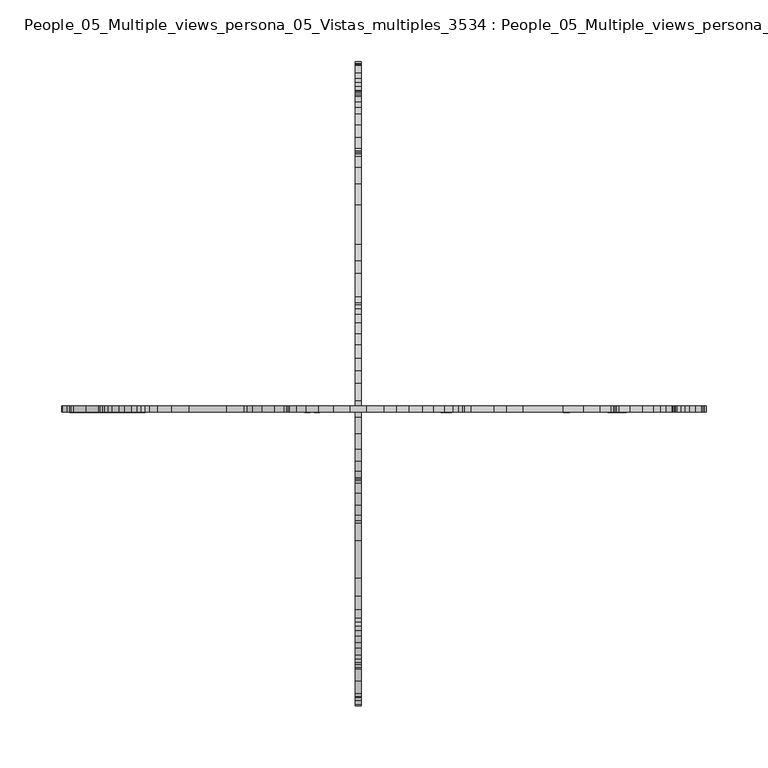
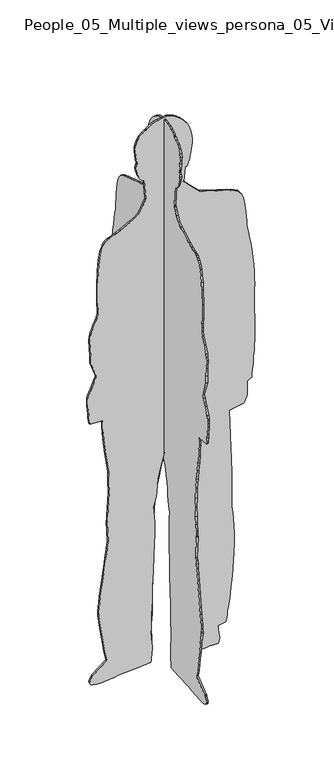
"""IFC4 building model written with IfcOpenShell, lengths in millimetres: proxy geometry, People_05_Multiple_views_persona_05_Vistas_multiples_3534 : People_05_Multiple_views_persona_05_Vistas_multiples_3534."""

from ifc_helpers import new_model, si_unit, frame, origin, place, context, project, spatial, polyline, outline, extrude, source, transform, mapped, element, save


def people_05_multiple_views_persona_05_vistas_multiples_3534_08ac399a(model_context):
    return source(origin(), model_context, "Body", "SweptSolid", [
        extrude(outline(polyline([(1488.5334336, -107.0451289), (1472.9226856, -137.1515713), (1466.2323651, -151.6472659), (1461.7721514, -162.7978001), (1458.4269911, -169.4881207), (1457.3119377, -172.833281), (1457.3119377, -176.1784412), (1455.0818308, -179.5236015), (1451.7366705, -183.9838152), (1445.04635, -189.5590823), (1435.0108691, -194.019296), (1421.630228, -199.5945632), (1402.6743198, -202.9397235), (1381.4883047, -206.2848837), (1358.0721828, -207.3999372), (1309.0098321, -209.630044), (1265.5227485, -209.630044), (1247.6818936, -208.5149906), (1234.3012525, -207.3999372), (1222.0356649, -207.3999372), (1208.6550237, -210.7450974), (1184.1238484, -220.7805783), (1160.7077264, -230.8160591), (1150.6722456, -233.0461659), (1141.7518182, -234.1612194), (1112.7604291, -231.9311125), (1088.2292538, -230.8160591), (1064.8131319, -230.8160591), (1016.8658346, -212.9752043), (1014.6357277, -214.0902577), (1006.8303537, -217.435418), (996.7948729, -221.8956317), (984.5292852, -226.3558454), (961.1131633, -236.3913262), (952.1927359, -239.7364865), (947.7325222, -240.8515399), (937.6970413, -240.8515399), (925.4314537, -239.7364865), (898.6701714, -237.5063796), (886.4045838, -236.3913262), (875.2540495, -235.2762728), (868.5637289, -234.1612194), (866.3336221, -234.1612194), (862.9884618, -195.1343495), (859.6433015, -195.1343495), (851.8379276, -194.019296), (838.4572865, -194.019296), (820.6164316, -191.7891892), (799.4304166, -190.6741358), (773.7841878, -187.3289755), (747.0229056, -183.9838152), (716.9164631, -179.5236015), (684.5799137, -175.0633878), (651.128311, -173.9483344), (619.906815, -172.833281), (589.8003726, -173.9483344), (564.1541438, -176.1784412), (542.9681287, -177.2934947), (535.1627547, -178.4085481), (529.5874876, -178.4085481), (526.2423273, -179.5236015), (525.1272739, -179.5236015), (455.9939615, -176.1784412), (453.7638546, -176.1784412), (447.0735341, -177.2934947), (435.9229998, -179.5236015), (421.4273053, -180.6386549), (404.7015039, -183.9838152), (385.7455957, -186.2139221), (344.4886189, -191.7891892), (302.1165888, -197.3644563), (282.0456271, -200.7096166), (264.2047723, -202.9397235), (248.5940243, -204.0547769), (236.3284367, -205.1698303), (227.4080092, -206.2848837), (221.8327421, -206.2848837), (187.2660859, -200.7096166), (156.04459, -196.2494029), (129.2833078, -191.7891892), (106.9822393, -188.4440289), (89.1413845, -185.0988686), (76.8757968, -182.8687618), (67.9553694, -180.6386549), (65.7252625, -180.6386549), (31.1586063, -224.1257385), (30.0435529, -225.240792), (26.6983926, -227.4708988), (17.7779652, -231.9311125), (13.3177515, -234.1612194), (7.7424844, -233.0461659), (4.3973241, -230.8160591), (1.0521639, -224.1257385), (-1.177943, -214.0902577), (-1.177943, -200.7096166), (1.0521639, -170.6031741), (2.1672173, -156.1074796), (4.3973241, -144.9569453), (5.5123776, -137.1515713), (5.5123776, -133.8064111), (7.8719187, -83.4269047), (12.1112767, -43.4302671), (20.4181484, -41.8145035), (44.5392475, -40.1419233), (52.3446214, -39.0268699), (62.3801023, -39.0268699), (90.2564379, -41.2569767), (100.2919187, -42.3720302), (103.637079, -43.4870836), (104.7521324, -43.4870836), (113.6725598, -43.4870836), (122.5929872, -42.3720302), (135.9736283, -42.3720302), (152.6994297, -41.2569767), (170.5402845, -41.2569767), (214.0273681, -39.0268699), (261.9746654, -37.9118165), (311.0370162, -35.6817096), (358.9843135, -34.5666562), (401.3563436, -32.3365493), (427.0025724, -31.2214959), (471.6047094, -31.2214959), (489.4455643, -32.3365493), (503.9412588, -33.4516028), (513.9767396, -34.5666562), (520.6670602, -35.6817096), (522.897167, -35.6817096), (524.0122204, -35.6817096), (527.3573807, -33.4516028), (538.507915, -30.1064425), (553.0036095, -26.7612822), (568.6143575, -24.5311754), (589.8003726, -23.4161219), (610.9863876, -21.1860151), (631.0573493, -16.7258014), (650.0132575, -12.2655877), (665.6240055, -7.805374), (679.0046466, -3.3451603), (686.8100206, -1.1150534), (690.1551809, 0.0), (689.0401274, 0.0), (685.6949672, 2.2301069), (681.2347535, 3.3451603), (674.5444329, 6.6903206), (665.6240055, 10.0354808), (655.5885247, 13.3806411), (629.9422959, 22.3010685), (598.7208, 31.2214959), (564.1541438, 40.1419233), (524.0122204, 49.0623507), (481.6401903, 56.8677247), (437.0380533, 61.3279384), (391.3208628, 64.6730987), (347.8337792, 66.9032055), (307.6918559, 68.018259), (246.3639175, 68.018259), (236.3284367, 66.9032055), (221.8327421, 66.9032055), (198.4166202, 72.4784727), (122.5929872, 68.018259), (64.6102091, 75.8236329), (62.3801023, 75.8236329), (57.9198886, 74.7085795), (43.424194, 72.4784727), (26.6983926, 70.2483658), (20.0080721, 70.2483658), (14.432805, 71.3634192), (3.2822707, 76.9386864), (0.6059749, 89.2896236), (0.6059749, 104.4397106), (0.0, 118.9851345), (0.0, 128.0754781), (2.4222553, 141.407205), (1.2111277, 154.1342688), (1.8171026, 167.4659957), (18.7720678, 171.708836), (35.61882, 169.4881207), (47.8844077, 168.3730673), (55.6897817, 167.2580138), (59.034942, 166.1429604), (64.6102091, 191.7891892), (65.7252625, 191.7891892), (70.1854762, 192.9042426), (76.8757968, 194.019296), (85.7962242, 195.1343495), (96.9467585, 196.2494029), (109.2123461, 198.4795098), (138.2037352, 202.9397235), (172.7703914, 206.2848837), (209.5671544, 210.7450974), (283.1606805, 216.3203646), (317.7273367, 217.435418), (347.8337792, 217.435418), (374.5950614, 216.3203646), (398.0111834, 215.2053111), (415.8520382, 212.9752043), (430.3477327, 211.8601509), (438.1531067, 209.630044), (441.498267, 209.630044), (551.0408894, 209.5578271), (759.2884932, 202.2465041), (765.9788138, 246.4268071), (767.0938672, 246.4268071), (769.3239741, 248.6569139), (776.0142946, 252.0020742), (784.934722, 256.4622879), (793.8551494, 258.6923947), (836.2271796, 258.6923947), (842.9175002, 272.0730358), (846.2626604, 272.0730358), (855.1830878, 273.1880893), (869.6787824, 274.3031427), (887.5196372, 276.5332495), (908.7056523, 277.648303), (932.1217742, 279.8784098), (980.0690715, 282.1085167), (1043.6271168, 282.1085167), (1060.3529181, 280.9934632), (1073.7335593, 280.9934632), (1084.8840935, 279.8784098), (1093.8045209, 279.8784098), (1096.0346278, 279.8784098), (1103.8400017, 280.9934632), (1129.4862305, 280.9934632), (1148.4421388, 282.1085167), (1168.5131004, 280.9934632), (1190.8141689, 279.8784098), (1215.3453443, 278.7633564), (1265.5227485, 273.1880893), (1288.9388704, 268.7278756), (1310.1248855, 265.3827153), (1329.0807937, 262.037555), (1343.5764882, 258.6923947), (1352.4969156, 257.5773413), (1354.7270225, 256.4622879), (1355.8420759, 256.4622879), (1368.1076636, 256.4622879), (1381.4883047, 255.3472345), (1398.2141061, 254.232181), (1432.7807623, 249.7719673), (1448.3915102, 245.3117536), (1461.7721514, 239.7364865), (1472.9226856, 230.8160591), (1478.4979527, 220.7805783), (1481.843113, 211.8601509), (1482.9581664, 209.630044), (1482.9581664, 208.5149906), (1482.9581664, 207.3999372), (1484.0732199, 205.1698303), (1487.4183801, 196.2494029), (1491.8785938, 182.8687618), (1497.453861, 166.1429604), (1507.4893418, 133.8064111), (1511.9495555, 120.42577), (1515.2947158, 110.3902891), (1533.1355706, 91.4343809), (1548.7463185, 75.8236329), (1555.4366391, 69.1333124), (1559.8968528, 64.6730987), (1563.2420131, 61.3279384), (1564.3570665, 60.212885), (1612.3043638, 64.6730987), (1612.3043638, 69.1333124), (1617.8796309, 72.4784727), (1622.3398446, 74.7085795), (1630.1452186, 76.9386864), (1646.87102, 80.2838466), (1664.7118748, 83.6290069), (1683.667783, 85.8591138), (1695.9333707, 85.8591138), (1709.3140118, 84.7440603), (1724.9247598, 81.3989001), (1739.4204543, 76.9386864), (1752.8010954, 70.2483658), (1765.0666831, 61.3279384), (1775.1021639, 52.407511), (1784.0225913, 41.2569767), (1790.7129119, 31.2214959), (1795.1731256, 21.1860151), (1798.5182859, 6.6903206), (1797.4032325, -6.6903206), (1795.1731256, -20.0709617), (1792.9430187, -32.3365493), (1788.482805, -42.3720302), (1782.9075379, -50.1774042), (1777.3322708, -55.7526713), (1775.1021639, -56.8677247), (1775.1021639, -57.9827781), (1773.9871105, -60.212885), (1769.5268968, -68.018259), (1761.7215228, -78.0537398), (1749.4559352, -85.8591138), (1737.1903475, -90.3193275), (1726.0398132, -92.5494343), (1714.889279, -91.4343809), (1702.6236913, -90.3193275), (1683.667783, -88.0892206), (1676.9774625, -85.8591138), (1674.7473556, -85.8591138), (1672.5172488, -86.9741672), (1668.0570351, -89.204274), (1660.2516611, -90.3193275), (1651.3312337, -89.204274), (1641.2957529, -85.8591138), (1633.4903789, -83.6290069), (1620.1097378, -76.9386864), (1615.6495241, -72.4784727), (1612.3043638, -68.018259), (1612.3043638, -63.5580453), (1548.7463185, -59.0978316), (1547.6312651, -59.0978316), (1545.4011583, -60.212885), (1535.3656774, -64.6730987), (1521.9850363, -71.3634192), (1505.259235, -80.2838466), (1496.3388075, -92.5494343), (1488.5334336, -107.0451289)])), frame((0.0, -2.5, 0.0), z_axis=(0.0, 1.0, 0.0), x_axis=(0.0, 0.0, 1.0)), (0.0, 0.0, 1.0), 5.0),
        extrude(outline(polyline([(-107.0451289, 1481.8412854), (-92.5494343, 1489.6466594), (-80.2838466, 1498.5670868), (-71.3634192, 1515.2928882), (-64.6730987, 1528.6735293), (-60.212885, 1538.7090101), (-59.0978316, 1540.939117), (-59.0978316, 1542.0541704), (-63.5580453, 1605.6122157), (-68.018259, 1605.6122157), (-72.4784727, 1608.9573759), (-76.9386864, 1613.4175896), (-83.6290069, 1626.7982307), (-85.8591138, 1634.6036047), (-89.204274, 1644.6390856), (-90.3193275, 1653.559513), (-89.204274, 1661.3648869), (-86.9741672, 1665.8251006), (-85.8591138, 1668.0552075), (-85.8591138, 1670.2853143), (-88.0892206, 1676.9756349), (-90.3193275, 1695.9315431), (-91.4343809, 1708.1971308), (-92.5494343, 1719.3476651), (-90.3193275, 1730.4981993), (-85.8591138, 1742.763787), (-78.0537398, 1755.0293747), (-68.018259, 1762.8347487), (-60.212885, 1767.2949624), (-57.9827781, 1768.4100158), (-56.8677247, 1768.4100158), (-55.7526713, 1770.6401226), (-50.1774042, 1776.2153898), (-42.3720302, 1781.7906569), (-32.3365493, 1786.2508706), (-20.0709617, 1788.4809775), (-6.6903206, 1790.7110843), (6.6903206, 1791.8261377), (21.1860151, 1788.4809775), (31.2214959, 1784.0207637), (41.2569767, 1777.3304432), (52.407511, 1768.4100158), (61.3279384, 1758.374535), (70.2483658, 1746.1089473), (76.9386864, 1732.7283062), (81.3989001, 1718.2326116), (84.7440603, 1702.6218637), (85.8591138, 1689.2412226), (85.8591138, 1676.9756349), (83.6290069, 1658.0197267), (80.2838466, 1640.1788719), (76.9386864, 1623.4530705), (74.7085795, 1615.6476965), (72.4784727, 1611.1874828), (69.1333124, 1605.6122157), (64.6730987, 1605.6122157), (60.212885, 1557.6649184), (61.3279384, 1556.5498649), (64.6730987, 1553.2047047), (69.1333124, 1548.744491), (75.8236329, 1542.0541704), (91.4343809, 1526.4434224), (110.3902891, 1508.6025676), (120.42577, 1505.2574074), (133.8064111, 1500.7971937), (166.1429604, 1490.7617128), (182.8687618, 1485.1864457), (196.2494029, 1480.726232), (205.1698303, 1477.3810717), (207.3999372, 1476.2660183), (208.5149906, 1476.2660183), (209.630044, 1476.2660183), (211.8601509, 1475.1509649), (220.7805783, 1471.8058046), (230.8160591, 1466.2305375), (239.7364865, 1455.0800032), (245.3117536, 1441.6993621), (249.7719673, 1426.0886141), (254.232181, 1391.5219579), (255.3472345, 1374.7961566), (256.4622879, 1361.4155155), (256.4622879, 1349.1499278), (256.4622879, 1348.0348744), (257.5773413, 1345.8047675), (258.6923947, 1336.8843401), (262.037555, 1322.3886456), (265.3827153, 1303.4327373), (268.7278756, 1282.2467222), (273.1880893, 1258.8306003), (278.7633564, 1208.6531962), (279.8784098, 1184.1220208), (280.9934632, 1161.8209523), (282.1085167, 1141.7499906), (280.9934632, 1122.7940824), (280.9934632, 1097.1478536), (279.8784098, 1089.3424796), (279.8784098, 1087.1123728), (279.8784098, 1078.1919454), (280.9934632, 1067.0414111), (280.9934632, 1053.66077), (282.1085167, 1036.9349686), (282.1085167, 973.3769234), (279.8784098, 925.4296261), (277.648303, 902.0135041), (276.5332495, 880.827489), (274.3031427, 862.9866342), (273.1880893, 848.4909397), (272.0730358, 839.5705123), (272.0730358, 836.225352), (258.6923947, 829.5350315), (258.6923947, 787.1630013), (256.4622879, 778.2425739), (252.0020742, 769.3221465), (248.6569139, 762.6318259), (246.4268071, 760.4017191), (246.4268071, 759.2866656), (202.2465041, 752.5963451), (209.5578271, 544.3487412), (209.630044, 434.8061188), (209.630044, 431.4609585), (211.8601509, 423.6555846), (212.9752043, 409.15989), (215.2053111, 391.3190352), (216.3203646, 367.9029133), (217.435418, 341.1416311), (217.435418, 311.0351886), (216.3203646, 276.4685324), (210.7450974, 202.8750063), (206.2848837, 166.0782432), (202.9397235, 131.5115871), (198.4795098, 102.520198), (196.2494029, 90.2546103), (195.1343495, 79.1040761), (194.019296, 70.1836486), (192.9042426, 63.4933281), (191.7891892, 59.0331144), (191.7891892, 57.918061), (166.1429604, 52.3427938), (167.2580138, 48.9976336), (168.3730673, 41.1922596), (169.4881207, 28.9266719), (171.708836, 12.0799196), (167.4659957, -4.8750455), (154.1342688, -5.4810205), (141.407205, -4.2698928), (128.0754781, -6.6921481), (118.9851345, -6.6921481), (104.4397106, -6.0861732), (89.2896236, -6.0861732), (76.9386864, -3.4098774), (71.3634192, 7.7406568), (70.2483658, 13.3159239), (70.2483658, 20.0062445), (72.4784727, 36.7320459), (74.7085795, 51.2277404), (75.8236329, 55.6879541), (75.8236329, 57.918061), (68.018259, 115.9008391), (72.4784727, 191.724472), (66.9032055, 215.140594), (66.9032055, 229.6362885), (68.018259, 239.6717693), (68.018259, 300.9997077), (66.9032055, 341.1416311), (64.6730987, 384.6287147), (61.3279384, 430.3459051), (56.8677247, 474.9480421), (49.0623507, 517.3200723), (40.1419233, 557.4619956), (31.2214959, 592.0286518), (22.3010685, 623.2501477), (13.3806411, 648.8963765), (10.0354808, 658.9318573), (6.6903206, 667.8522848), (3.3451603, 674.5426053), (2.2301069, 679.002819), (0.0, 682.3479793), (0.0, 683.4630327), (-1.1150534, 680.1178724), (-3.3451603, 672.3124985), (-7.805374, 658.9318573), (-12.2655877, 643.3211094), (-16.7258014, 624.3652012), (-21.1860151, 604.2942395), (-23.4161219, 583.1082244), (-24.5311754, 561.9222093), (-26.7612822, 546.3114614), (-30.1064425, 531.8157668), (-33.4516028, 520.6652326), (-35.6817096, 517.3200723), (-35.6817096, 516.2050189), (-35.6817096, 513.974912), (-34.5666562, 507.2845915), (-33.4516028, 497.2491106), (-32.3365493, 482.7534161), (-31.2214959, 464.9125613), (-31.2214959, 420.3104243), (-32.3365493, 394.6641955), (-34.5666562, 352.2921653), (-35.6817096, 304.344868), (-37.9118165, 255.2825173), (-39.0268699, 207.33522), (-41.2569767, 163.8481364), (-41.2569767, 146.0072816), (-42.3720302, 129.2814802), (-42.3720302, 115.9008391), (-43.4870836, 106.9804117), (-43.4870836, 98.0599843), (-43.4870836, 96.9449309), (-42.3720302, 93.5997706), (-41.2569767, 83.5642898), (-39.0268699, 55.6879541), (-39.0268699, 45.6524733), (-40.1419233, 37.8470993), (-41.8145035, 13.7260003), (-43.4302671, 5.4191285), (-83.4269047, 1.1797706), (-133.8064111, -1.1797706), (-137.1515713, -1.1797706), (-144.9569453, -2.294824), (-156.1074796, -4.5249309), (-170.6031741, -5.6399843), (-200.7096166, -7.8700911), (-214.0902577, -7.8700911), (-224.1257385, -5.6399843), (-230.8160591, -2.294824), (-233.0461659, 1.0503363), (-234.1612194, 6.6256034), (-231.9311125, 11.0858171), (-227.4708988, 20.0062445), (-225.240792, 23.3514048), (-224.1257385, 24.4664582), (-180.6386549, 59.0331144), (-180.6386549, 61.2632212), (-182.8687618, 70.1836486), (-185.0988686, 82.4492363), (-188.4440289, 100.2900911), (-191.7891892, 122.5911596), (-196.2494029, 149.3524419), (-200.7096166, 180.5739378), (-206.2848837, 215.140594), (-206.2848837, 220.7158611), (-205.1698303, 229.6362885), (-204.0547769, 241.9018762), (-202.9397235, 257.5126241), (-200.7096166, 275.353479), (-197.3644563, 295.4244406), (-191.7891892, 337.7964708), (-186.2139221, 379.0534475), (-183.9838152, 398.0093558), (-180.6386549, 414.7351571), (-179.5236015, 429.2308517), (-177.2934947, 440.3813859), (-176.1784412, 447.0717065), (-176.1784412, 449.3018133), (-179.5236015, 518.4351257), (-179.5236015, 519.5501792), (-178.4085481, 522.8953394), (-178.4085481, 528.4706066), (-177.2934947, 536.2759805), (-176.1784412, 557.4619956), (-173.9483344, 583.1082244), (-172.833281, 613.2146669), (-173.9483344, 644.4361628), (-175.0633878, 677.8877656), (-179.5236015, 710.2243149), (-183.9838152, 740.3307574), (-187.3289755, 767.0920396), (-190.6741358, 792.7382684), (-191.7891892, 813.9242835), (-194.019296, 831.7651383), (-194.019296, 845.1457794), (-195.1343495, 852.9511534), (-195.1343495, 856.2963137), (-234.1612194, 859.641474), (-234.1612194, 861.8715808), (-235.2762728, 868.5619014), (-236.3913262, 879.7124356), (-237.5063796, 891.9780233), (-239.7364865, 918.7393055), (-240.8515399, 931.0048932), (-240.8515399, 941.040374), (-239.7364865, 945.5005877), (-236.3913262, 954.4210151), (-226.3558454, 977.8371371), (-221.8956317, 990.1027247), (-217.435418, 1000.1382056), (-214.0902577, 1007.9435796), (-212.9752043, 1010.1736864), (-230.8160591, 1058.1209837), (-230.8160591, 1081.5371056), (-231.9311125, 1106.068281), (-234.1612194, 1135.0596701), (-233.0461659, 1143.9800975), (-230.8160591, 1154.0155783), (-220.7805783, 1177.4317002), (-210.7450974, 1201.9628756), (-207.3999372, 1215.3435167), (-207.3999372, 1227.6091044), (-208.5149906, 1240.9897455), (-209.630044, 1258.8306003), (-209.630044, 1302.3176839), (-207.3999372, 1351.3800346), (-206.2848837, 1374.7961566), (-202.9397235, 1395.9821717), (-199.5945632, 1414.9380799), (-194.019296, 1428.318721), (-189.5590823, 1438.3542018), (-183.9838152, 1445.0445224), (-179.5236015, 1448.3896827), (-176.1784412, 1450.6197895), (-172.833281, 1450.6197895), (-169.4881207, 1451.7348429), (-162.7978001, 1455.0800032), (-151.6472659, 1459.5402169), (-137.1515713, 1466.2305375), (-107.0451289, 1481.8412854)])), frame((-2.5, 0.0, 0.0), z_axis=(1.0, 0.0, 0.0), x_axis=(0.0, 1.0, 0.0)), (0.0, 0.0, 1.0), 5.0),
    ])


if __name__ == "__main__":
    model = new_model("IFC4")
    model_context = context("Model", 3, world=origin())
    ifc_project = project(units=[si_unit("LENGTHUNIT", "METRE", prefix="MILLI")], contexts=[model_context])
    site = spatial("IfcSite", under=ifc_project)
    building = spatial("IfcBuilding", under=site)
    placement = place(None, origin())
    people_05_multiple_views_persona_05_vistas_multiples_3534_shape = people_05_multiple_views_persona_05_vistas_multiples_3534_08ac399a(model_context)
    element("IfcBuildingElementProxy", 1, Name="People_05_Multiple_views_persona_05_Vistas_multiples_3534 : People_05_Multiple_views_persona_05_Vistas_multiples_3534", ObjectType="People_05_Multiple_views_persona_05_Vistas_multiples_3534 : People_05_Multiple_views_persona_05_Vistas_multiples_3534", at=placement, inside=building, context=model_context, shape_type="MappedRepresentation", body=[
        mapped(people_05_multiple_views_persona_05_vistas_multiples_3534_shape, transform((0.0, 0.0, 0.0), x_axis=(1.0, 0.0, 0.0), y_axis=(0.0, 1.0, 0.0), z_axis=(0.0, 0.0, 1.0))),
    ])
    save(model, "model.ifc")
